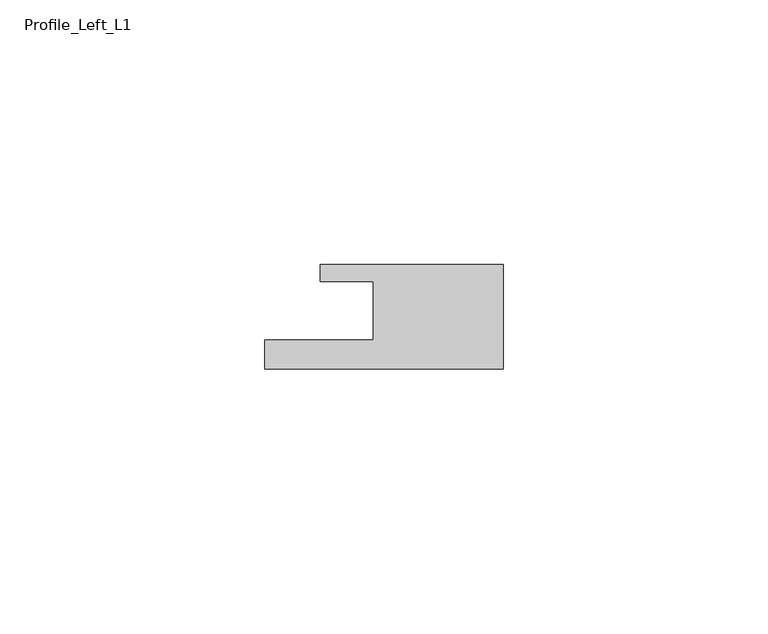
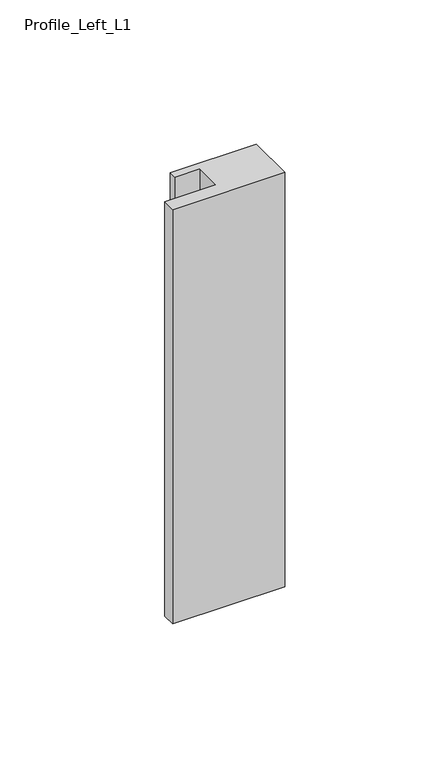
"""IFC4 building model written with IfcOpenShell, lengths in millimetres: member geometry, Profile_Left_L1."""

from ifc_helpers import new_model, si_unit, frame, origin, place, context, project, spatial, polyline, outline, extrude, source, transform, mapped, element, save


def profile_left_l1_3fb53346(model_context):
    return source(origin(), model_context, "Body", "SweptSolid", [
        extrude(outline(polyline([(-45.0, -5.5), (-24.5, -5.5), (-24.5, 5.5), (-34.5, 5.5), (-34.5, 8.7), (0.0, 8.7), (0.0, -11.0), (-45.0, -11.0), (-45.0, -5.5)])), frame((0.0, 0.0, -175.5), z_axis=(0.0, 0.0, 1.0), x_axis=(1.0, 0.0, 0.0)), (0.0, 0.0, 1.0), 175.5),
    ])


if __name__ == "__main__":
    model = new_model("IFC4")
    model_context = context("Model", 3, world=origin())
    ifc_project = project(units=[si_unit("LENGTHUNIT", "METRE", prefix="MILLI")], contexts=[model_context])
    site = spatial("IfcSite", under=ifc_project)
    building = spatial("IfcBuilding", under=site)
    placement = place(None, origin())
    profile_left_l1_shape = profile_left_l1_3fb53346(model_context)
    element("IfcMember", 1, ObjectType="Profile_Left_L1", at=placement, inside=building, context=model_context, shape_type="MappedRepresentation", body=[
        mapped(profile_left_l1_shape, transform((0.0, 0.0, 0.0), x_axis=(1.0, 0.0, 0.0), y_axis=(0.0, 1.0, 0.0), z_axis=(0.0, 0.0, 1.0))),
    ])
    save(model, "model.ifc")
